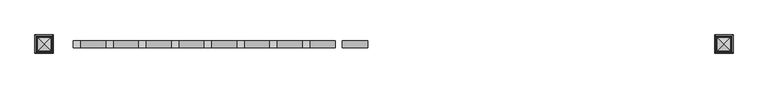
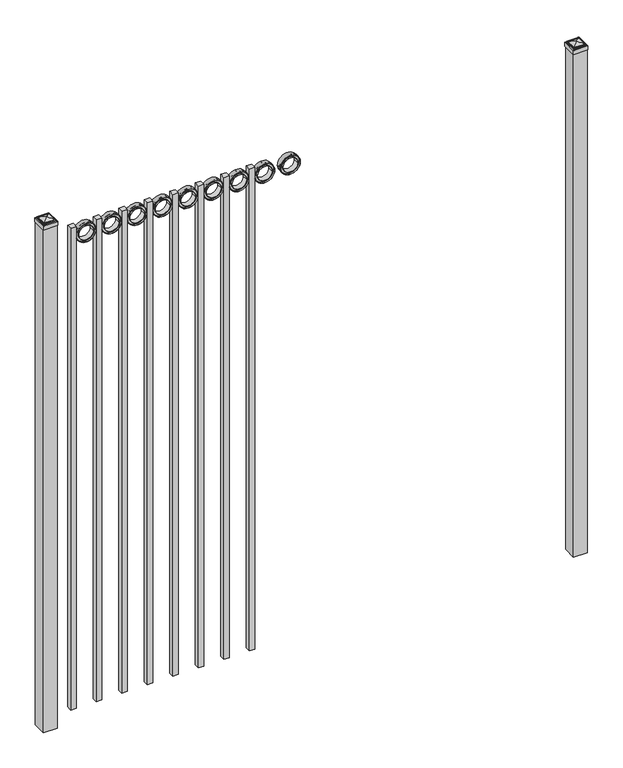
"""IFC4 building model written with IfcOpenShell, lengths in millimetres: railing geometry."""

from ifc_helpers import new_model, si_unit, point, frame, frame_2d, origin, origin_with_axes, place, context, project, spatial, polyline, circle_curve, ellipse_curve, trimmed, segment, composite_curve, outline, extrude, source, transform, mapped, element, save
from ifc_brep_helpers import plane_surface, cylinder_surface, advanced_brep


def railing_b26ec44c(model_context):
    return source(origin(), model_context, "Body", "SolidModel", [
        extrude(outline(composite_curve([segment(trimmed(circle_curve(frame_2d((2348.2511409, -5077.3911274)), 45.6988591), [point((2348.2511409, -5031.6922684))], [point((2348.2511409, -5123.0899865))], False, "CARTESIAN"), True, "CONTINUOUS"), segment(trimmed(circle_curve(frame_2d((2348.2511409, -5077.3911274)), 45.6988591), [point((2348.2511409, -5123.0899865))], [point((2348.2511409, -5031.6922684))], False, "CARTESIAN"), True, "CONTINUOUS")], self_intersect=False), holes=[composite_curve([segment(trimmed(circle_curve(frame_2d((2348.2511409, -5077.3911274)), 44.101539), [point((2348.2511409, -5033.2895884))], [point((2348.2511409, -5121.4926665))], True, "CARTESIAN"), True, "CONTINUOUS"), segment(trimmed(circle_curve(frame_2d((2348.2511409, -5077.3911274)), 44.101539), [point((2348.2511409, -5121.4926665))], [point((2348.2511409, -5033.2895884))], True, "CARTESIAN"), True, "CONTINUOUS")], self_intersect=False)]), frame((0.0, 7308.219541, 0.0), z_axis=(0.0, 1.0, 0.0), x_axis=(0.0, 0.0, 1.0)), (0.0, 0.0, 1.0), 25.4),
        extrude(outline(composite_curve([segment(trimmed(circle_curve(frame_2d((2348.2511409, -5077.3911274)), 34.6370762), [point((2348.2511409, -5042.7540512))], [point((2348.2511409, -5112.0282037))], False, "CARTESIAN"), True, "CONTINUOUS"), segment(trimmed(circle_curve(frame_2d((2348.2511409, -5077.3911274)), 34.6370762), [point((2348.2511409, -5112.0282037))], [point((2348.2511409, -5042.7540512))], False, "CARTESIAN"), True, "CONTINUOUS")], self_intersect=False), holes=[composite_curve([segment(trimmed(circle_curve(frame_2d((2348.2511409, -5077.3911274)), 33.0443887), [point((2348.2511409, -5044.3467388))], [point((2348.2511409, -5110.4355161))], True, "CARTESIAN"), True, "CONTINUOUS"), segment(trimmed(circle_curve(frame_2d((2348.2511409, -5077.3911274)), 33.0443887), [point((2348.2511409, -5110.4355161))], [point((2348.2511409, -5044.3467388))], True, "CARTESIAN"), True, "CONTINUOUS")], self_intersect=False)]), frame((0.0, 7308.219541, 0.0), z_axis=(0.0, 1.0, 0.0), x_axis=(0.0, 0.0, 1.0)), (0.0, 0.0, 1.0), 25.4),
        extrude(outline(composite_curve([segment(trimmed(circle_curve(frame_2d((2348.2511409, -5077.3911274)), 45.6988591), [point((2348.2511409, -5031.6922684))], [point((2348.2511409, -5123.0899865))], False, "CARTESIAN"), True, "CONTINUOUS"), segment(trimmed(circle_curve(frame_2d((2348.2511409, -5077.3911274)), 45.6988591), [point((2348.2511409, -5123.0899865))], [point((2348.2511409, -5031.6922684))], False, "CARTESIAN"), True, "CONTINUOUS")], self_intersect=False), holes=[composite_curve([segment(trimmed(circle_curve(frame_2d((2348.2511409, -5077.3911274)), 33.0443887), [point((2348.2511409, -5044.3467388))], [point((2348.2511409, -5110.4355161))], True, "CARTESIAN"), True, "CONTINUOUS"), segment(trimmed(circle_curve(frame_2d((2348.2511409, -5077.3911274)), 33.0443887), [point((2348.2511409, -5110.4355161))], [point((2348.2511409, -5044.3467388))], True, "CARTESIAN"), True, "CONTINUOUS")], self_intersect=False)]), frame((0.0, 7314.569541, 0.0), z_axis=(0.0, 1.0, 0.0), x_axis=(0.0, 0.0, 1.0)), (0.0, 0.0, 1.0), 12.7),
        extrude(outline(polyline([(0.0, -2343.15), (0.0, 0.0), (25.4, 0.0), (25.4, -2343.15), (0.0, -2343.15)])), frame((-5240.5649864, 7333.619541, 2393.95), z_axis=(-1.0, 0.0, 1.7709660197216138e-09), x_axis=(0.0, -1.0, 0.0)), (0.0, 0.0, 1.0), 25.4),
        extrude(outline(composite_curve([segment(trimmed(circle_curve(frame_2d((2348.2511409, -5194.8661274)), 45.6988591), [point((2348.2511409, -5149.1672684))], [point((2348.2511409, -5240.5649865))], False, "CARTESIAN"), True, "CONTINUOUS"), segment(trimmed(circle_curve(frame_2d((2348.2511409, -5194.8661274)), 45.6988591), [point((2348.2511409, -5240.5649865))], [point((2348.2511409, -5149.1672684))], False, "CARTESIAN"), True, "CONTINUOUS")], self_intersect=False), holes=[composite_curve([segment(trimmed(circle_curve(frame_2d((2348.2511409, -5194.8661274)), 44.101539), [point((2348.2511409, -5150.7645884))], [point((2348.2511409, -5238.9676665))], True, "CARTESIAN"), True, "CONTINUOUS"), segment(trimmed(circle_curve(frame_2d((2348.2511409, -5194.8661274)), 44.101539), [point((2348.2511409, -5238.9676665))], [point((2348.2511409, -5150.7645884))], True, "CARTESIAN"), True, "CONTINUOUS")], self_intersect=False)]), frame((0.0, 7308.219541, 0.0), z_axis=(0.0, 1.0, 0.0), x_axis=(0.0, 0.0, 1.0)), (0.0, 0.0, 1.0), 25.4),
        extrude(outline(composite_curve([segment(trimmed(circle_curve(frame_2d((2348.2511409, -5194.8661274)), 34.6370762), [point((2348.2511409, -5160.2290512))], [point((2348.2511409, -5229.5032037))], False, "CARTESIAN"), True, "CONTINUOUS"), segment(trimmed(circle_curve(frame_2d((2348.2511409, -5194.8661274)), 34.6370762), [point((2348.2511409, -5229.5032037))], [point((2348.2511409, -5160.2290512))], False, "CARTESIAN"), True, "CONTINUOUS")], self_intersect=False), holes=[composite_curve([segment(trimmed(circle_curve(frame_2d((2348.2511409, -5194.8661274)), 33.0443887), [point((2348.2511409, -5161.8217388))], [point((2348.2511409, -5227.9105161))], True, "CARTESIAN"), True, "CONTINUOUS"), segment(trimmed(circle_curve(frame_2d((2348.2511409, -5194.8661274)), 33.0443887), [point((2348.2511409, -5227.9105161))], [point((2348.2511409, -5161.8217388))], True, "CARTESIAN"), True, "CONTINUOUS")], self_intersect=False)]), frame((0.0, 7308.219541, 0.0), z_axis=(0.0, 1.0, 0.0), x_axis=(0.0, 0.0, 1.0)), (0.0, 0.0, 1.0), 25.4),
        extrude(outline(composite_curve([segment(trimmed(circle_curve(frame_2d((2348.2511409, -5194.8661274)), 45.6988591), [point((2348.2511409, -5149.1672684))], [point((2348.2511409, -5240.5649865))], False, "CARTESIAN"), True, "CONTINUOUS"), segment(trimmed(circle_curve(frame_2d((2348.2511409, -5194.8661274)), 45.6988591), [point((2348.2511409, -5240.5649865))], [point((2348.2511409, -5149.1672684))], False, "CARTESIAN"), True, "CONTINUOUS")], self_intersect=False), holes=[composite_curve([segment(trimmed(circle_curve(frame_2d((2348.2511409, -5194.8661274)), 33.0443887), [point((2348.2511409, -5161.8217388))], [point((2348.2511409, -5227.9105161))], True, "CARTESIAN"), True, "CONTINUOUS"), segment(trimmed(circle_curve(frame_2d((2348.2511409, -5194.8661274)), 33.0443887), [point((2348.2511409, -5227.9105161))], [point((2348.2511409, -5161.8217388))], True, "CARTESIAN"), True, "CONTINUOUS")], self_intersect=False)]), frame((0.0, 7314.569541, 0.0), z_axis=(0.0, 1.0, 0.0), x_axis=(0.0, 0.0, 1.0)), (0.0, 0.0, 1.0), 12.7),
        extrude(outline(polyline([(0.0, -2343.15), (0.0, 0.0), (25.4, 0.0), (25.4, -2343.15), (0.0, -2343.15)])), frame((-5358.0399864, 7333.619541, 2393.95), z_axis=(-1.0, 0.0, 1.7709660197216138e-09), x_axis=(0.0, -1.0, 0.0)), (0.0, 0.0, 1.0), 25.4),
        extrude(outline(composite_curve([segment(trimmed(circle_curve(frame_2d((2348.2511409, -5312.3411274)), 45.6988591), [point((2348.2511409, -5266.6422684))], [point((2348.2511409, -5358.0399865))], False, "CARTESIAN"), True, "CONTINUOUS"), segment(trimmed(circle_curve(frame_2d((2348.2511409, -5312.3411274)), 45.6988591), [point((2348.2511409, -5358.0399865))], [point((2348.2511409, -5266.6422684))], False, "CARTESIAN"), True, "CONTINUOUS")], self_intersect=False), holes=[composite_curve([segment(trimmed(circle_curve(frame_2d((2348.2511409, -5312.3411274)), 44.101539), [point((2348.2511409, -5268.2395884))], [point((2348.2511409, -5356.4426665))], True, "CARTESIAN"), True, "CONTINUOUS"), segment(trimmed(circle_curve(frame_2d((2348.2511409, -5312.3411274)), 44.101539), [point((2348.2511409, -5356.4426665))], [point((2348.2511409, -5268.2395884))], True, "CARTESIAN"), True, "CONTINUOUS")], self_intersect=False)]), frame((0.0, 7308.219541, 0.0), z_axis=(0.0, 1.0, 0.0), x_axis=(0.0, 0.0, 1.0)), (0.0, 0.0, 1.0), 25.4),
        extrude(outline(composite_curve([segment(trimmed(circle_curve(frame_2d((2348.2511409, -5312.3411274)), 34.6370762), [point((2348.2511409, -5277.7040512))], [point((2348.2511409, -5346.9782037))], False, "CARTESIAN"), True, "CONTINUOUS"), segment(trimmed(circle_curve(frame_2d((2348.2511409, -5312.3411274)), 34.6370762), [point((2348.2511409, -5346.9782037))], [point((2348.2511409, -5277.7040512))], False, "CARTESIAN"), True, "CONTINUOUS")], self_intersect=False), holes=[composite_curve([segment(trimmed(circle_curve(frame_2d((2348.2511409, -5312.3411274)), 33.0443887), [point((2348.2511409, -5279.2967388))], [point((2348.2511409, -5345.3855161))], True, "CARTESIAN"), True, "CONTINUOUS"), segment(trimmed(circle_curve(frame_2d((2348.2511409, -5312.3411274)), 33.0443887), [point((2348.2511409, -5345.3855161))], [point((2348.2511409, -5279.2967388))], True, "CARTESIAN"), True, "CONTINUOUS")], self_intersect=False)]), frame((0.0, 7308.219541, 0.0), z_axis=(0.0, 1.0, 0.0), x_axis=(0.0, 0.0, 1.0)), (0.0, 0.0, 1.0), 25.4),
        extrude(outline(composite_curve([segment(trimmed(circle_curve(frame_2d((2348.2511409, -5312.3411274)), 45.6988591), [point((2348.2511409, -5266.6422684))], [point((2348.2511409, -5358.0399865))], False, "CARTESIAN"), True, "CONTINUOUS"), segment(trimmed(circle_curve(frame_2d((2348.2511409, -5312.3411274)), 45.6988591), [point((2348.2511409, -5358.0399865))], [point((2348.2511409, -5266.6422684))], False, "CARTESIAN"), True, "CONTINUOUS")], self_intersect=False), holes=[composite_curve([segment(trimmed(circle_curve(frame_2d((2348.2511409, -5312.3411274)), 33.0443887), [point((2348.2511409, -5279.2967388))], [point((2348.2511409, -5345.3855161))], True, "CARTESIAN"), True, "CONTINUOUS"), segment(trimmed(circle_curve(frame_2d((2348.2511409, -5312.3411274)), 33.0443887), [point((2348.2511409, -5345.3855161))], [point((2348.2511409, -5279.2967388))], True, "CARTESIAN"), True, "CONTINUOUS")], self_intersect=False)]), frame((0.0, 7314.569541, 0.0), z_axis=(0.0, 1.0, 0.0), x_axis=(0.0, 0.0, 1.0)), (0.0, 0.0, 1.0), 12.7),
        extrude(outline(polyline([(0.0, -2343.15), (0.0, 0.0), (25.4, 0.0), (25.4, -2343.15), (0.0, -2343.15)])), frame((-5475.5149864, 7333.619541, 2393.95), z_axis=(-1.0, 0.0, 1.7709660197216138e-09), x_axis=(0.0, -1.0, 0.0)), (0.0, 0.0, 1.0), 25.4),
        extrude(outline(composite_curve([segment(trimmed(circle_curve(frame_2d((2348.2511409, -5429.8161274)), 45.6988591), [point((2348.2511409, -5384.1172684))], [point((2348.2511409, -5475.5149865))], False, "CARTESIAN"), True, "CONTINUOUS"), segment(trimmed(circle_curve(frame_2d((2348.2511409, -5429.8161274)), 45.6988591), [point((2348.2511409, -5475.5149865))], [point((2348.2511409, -5384.1172684))], False, "CARTESIAN"), True, "CONTINUOUS")], self_intersect=False), holes=[composite_curve([segment(trimmed(circle_curve(frame_2d((2348.2511409, -5429.8161274)), 44.101539), [point((2348.2511409, -5385.7145884))], [point((2348.2511409, -5473.9176665))], True, "CARTESIAN"), True, "CONTINUOUS"), segment(trimmed(circle_curve(frame_2d((2348.2511409, -5429.8161274)), 44.101539), [point((2348.2511409, -5473.9176665))], [point((2348.2511409, -5385.7145884))], True, "CARTESIAN"), True, "CONTINUOUS")], self_intersect=False)]), frame((0.0, 7308.219541, 0.0), z_axis=(0.0, 1.0, 0.0), x_axis=(0.0, 0.0, 1.0)), (0.0, 0.0, 1.0), 25.4),
        extrude(outline(composite_curve([segment(trimmed(circle_curve(frame_2d((2348.2511409, -5429.8161274)), 34.6370762), [point((2348.2511409, -5395.1790512))], [point((2348.2511409, -5464.4532037))], False, "CARTESIAN"), True, "CONTINUOUS"), segment(trimmed(circle_curve(frame_2d((2348.2511409, -5429.8161274)), 34.6370762), [point((2348.2511409, -5464.4532037))], [point((2348.2511409, -5395.1790512))], False, "CARTESIAN"), True, "CONTINUOUS")], self_intersect=False), holes=[composite_curve([segment(trimmed(circle_curve(frame_2d((2348.2511409, -5429.8161274)), 33.0443887), [point((2348.2511409, -5396.7717388))], [point((2348.2511409, -5462.8605161))], True, "CARTESIAN"), True, "CONTINUOUS"), segment(trimmed(circle_curve(frame_2d((2348.2511409, -5429.8161274)), 33.0443887), [point((2348.2511409, -5462.8605161))], [point((2348.2511409, -5396.7717388))], True, "CARTESIAN"), True, "CONTINUOUS")], self_intersect=False)]), frame((0.0, 7308.219541, 0.0), z_axis=(0.0, 1.0, 0.0), x_axis=(0.0, 0.0, 1.0)), (0.0, 0.0, 1.0), 25.4),
        extrude(outline(composite_curve([segment(trimmed(circle_curve(frame_2d((2348.2511409, -5429.8161274)), 45.6988591), [point((2348.2511409, -5384.1172684))], [point((2348.2511409, -5475.5149865))], False, "CARTESIAN"), True, "CONTINUOUS"), segment(trimmed(circle_curve(frame_2d((2348.2511409, -5429.8161274)), 45.6988591), [point((2348.2511409, -5475.5149865))], [point((2348.2511409, -5384.1172684))], False, "CARTESIAN"), True, "CONTINUOUS")], self_intersect=False), holes=[composite_curve([segment(trimmed(circle_curve(frame_2d((2348.2511409, -5429.8161274)), 33.0443887), [point((2348.2511409, -5396.7717388))], [point((2348.2511409, -5462.8605161))], True, "CARTESIAN"), True, "CONTINUOUS"), segment(trimmed(circle_curve(frame_2d((2348.2511409, -5429.8161274)), 33.0443887), [point((2348.2511409, -5462.8605161))], [point((2348.2511409, -5396.7717388))], True, "CARTESIAN"), True, "CONTINUOUS")], self_intersect=False)]), frame((0.0, 7314.569541, 0.0), z_axis=(0.0, 1.0, 0.0), x_axis=(0.0, 0.0, 1.0)), (0.0, 0.0, 1.0), 12.7),
        extrude(outline(polyline([(0.0, -2343.15), (0.0, 0.0), (25.4, 0.0), (25.4, -2343.15), (0.0, -2343.15)])), frame((-5592.9899864, 7333.619541, 2393.95), z_axis=(-1.0, 0.0, 1.7709660197216138e-09), x_axis=(0.0, -1.0, 0.0)), (0.0, 0.0, 1.0), 25.4),
        extrude(outline(composite_curve([segment(trimmed(circle_curve(frame_2d((2348.2511409, -5547.2911274)), 45.6988591), [point((2348.2511409, -5501.5922684))], [point((2348.2511409, -5592.9899865))], False, "CARTESIAN"), True, "CONTINUOUS"), segment(trimmed(circle_curve(frame_2d((2348.2511409, -5547.2911274)), 45.6988591), [point((2348.2511409, -5592.9899865))], [point((2348.2511409, -5501.5922684))], False, "CARTESIAN"), True, "CONTINUOUS")], self_intersect=False), holes=[composite_curve([segment(trimmed(circle_curve(frame_2d((2348.2511409, -5547.2911274)), 44.101539), [point((2348.2511409, -5503.1895884))], [point((2348.2511409, -5591.3926665))], True, "CARTESIAN"), True, "CONTINUOUS"), segment(trimmed(circle_curve(frame_2d((2348.2511409, -5547.2911274)), 44.101539), [point((2348.2511409, -5591.3926665))], [point((2348.2511409, -5503.1895884))], True, "CARTESIAN"), True, "CONTINUOUS")], self_intersect=False)]), frame((0.0, 7308.219541, 0.0), z_axis=(0.0, 1.0, 0.0), x_axis=(0.0, 0.0, 1.0)), (0.0, 0.0, 1.0), 25.4),
        extrude(outline(composite_curve([segment(trimmed(circle_curve(frame_2d((2348.2511409, -5547.2911274)), 34.6370762), [point((2348.2511409, -5512.6540512))], [point((2348.2511409, -5581.9282037))], False, "CARTESIAN"), True, "CONTINUOUS"), segment(trimmed(circle_curve(frame_2d((2348.2511409, -5547.2911274)), 34.6370762), [point((2348.2511409, -5581.9282037))], [point((2348.2511409, -5512.6540512))], False, "CARTESIAN"), True, "CONTINUOUS")], self_intersect=False), holes=[composite_curve([segment(trimmed(circle_curve(frame_2d((2348.2511409, -5547.2911274)), 33.0443887), [point((2348.2511409, -5514.2467388))], [point((2348.2511409, -5580.3355161))], True, "CARTESIAN"), True, "CONTINUOUS"), segment(trimmed(circle_curve(frame_2d((2348.2511409, -5547.2911274)), 33.0443887), [point((2348.2511409, -5580.3355161))], [point((2348.2511409, -5514.2467388))], True, "CARTESIAN"), True, "CONTINUOUS")], self_intersect=False)]), frame((0.0, 7308.219541, 0.0), z_axis=(0.0, 1.0, 0.0), x_axis=(0.0, 0.0, 1.0)), (0.0, 0.0, 1.0), 25.4),
        extrude(outline(composite_curve([segment(trimmed(circle_curve(frame_2d((2348.2511409, -5547.2911274)), 45.6988591), [point((2348.2511409, -5501.5922684))], [point((2348.2511409, -5592.9899865))], False, "CARTESIAN"), True, "CONTINUOUS"), segment(trimmed(circle_curve(frame_2d((2348.2511409, -5547.2911274)), 45.6988591), [point((2348.2511409, -5592.9899865))], [point((2348.2511409, -5501.5922684))], False, "CARTESIAN"), True, "CONTINUOUS")], self_intersect=False), holes=[composite_curve([segment(trimmed(circle_curve(frame_2d((2348.2511409, -5547.2911274)), 33.0443887), [point((2348.2511409, -5514.2467388))], [point((2348.2511409, -5580.3355161))], True, "CARTESIAN"), True, "CONTINUOUS"), segment(trimmed(circle_curve(frame_2d((2348.2511409, -5547.2911274)), 33.0443887), [point((2348.2511409, -5580.3355161))], [point((2348.2511409, -5514.2467388))], True, "CARTESIAN"), True, "CONTINUOUS")], self_intersect=False)]), frame((0.0, 7314.569541, 0.0), z_axis=(0.0, 1.0, 0.0), x_axis=(0.0, 0.0, 1.0)), (0.0, 0.0, 1.0), 12.7),
        extrude(outline(polyline([(0.0, -2343.15), (0.0, 0.0), (25.4, 0.0), (25.4, -2343.15), (0.0, -2343.15)])), frame((-5710.4649864, 7333.619541, 2393.95), z_axis=(-1.0, 0.0, 1.7709660197216138e-09), x_axis=(0.0, -1.0, 0.0)), (0.0, 0.0, 1.0), 25.4),
        extrude(outline(composite_curve([segment(trimmed(circle_curve(frame_2d((2348.2511409, -5664.7661274)), 45.6988591), [point((2348.2511409, -5619.0672684))], [point((2348.2511409, -5710.4649865))], False, "CARTESIAN"), True, "CONTINUOUS"), segment(trimmed(circle_curve(frame_2d((2348.2511409, -5664.7661274)), 45.6988591), [point((2348.2511409, -5710.4649865))], [point((2348.2511409, -5619.0672684))], False, "CARTESIAN"), True, "CONTINUOUS")], self_intersect=False), holes=[composite_curve([segment(trimmed(circle_curve(frame_2d((2348.2511409, -5664.7661274)), 44.101539), [point((2348.2511409, -5620.6645884))], [point((2348.2511409, -5708.8676665))], True, "CARTESIAN"), True, "CONTINUOUS"), segment(trimmed(circle_curve(frame_2d((2348.2511409, -5664.7661274)), 44.101539), [point((2348.2511409, -5708.8676665))], [point((2348.2511409, -5620.6645884))], True, "CARTESIAN"), True, "CONTINUOUS")], self_intersect=False)]), frame((0.0, 7308.219541, 0.0), z_axis=(0.0, 1.0, 0.0), x_axis=(0.0, 0.0, 1.0)), (0.0, 0.0, 1.0), 25.4),
        extrude(outline(composite_curve([segment(trimmed(circle_curve(frame_2d((2348.2511409, -5664.7661274)), 34.6370762), [point((2348.2511409, -5630.1290512))], [point((2348.2511409, -5699.4032037))], False, "CARTESIAN"), True, "CONTINUOUS"), segment(trimmed(circle_curve(frame_2d((2348.2511409, -5664.7661274)), 34.6370762), [point((2348.2511409, -5699.4032037))], [point((2348.2511409, -5630.1290512))], False, "CARTESIAN"), True, "CONTINUOUS")], self_intersect=False), holes=[composite_curve([segment(trimmed(circle_curve(frame_2d((2348.2511409, -5664.7661274)), 33.0443887), [point((2348.2511409, -5631.7217388))], [point((2348.2511409, -5697.8105161))], True, "CARTESIAN"), True, "CONTINUOUS"), segment(trimmed(circle_curve(frame_2d((2348.2511409, -5664.7661274)), 33.0443887), [point((2348.2511409, -5697.8105161))], [point((2348.2511409, -5631.7217388))], True, "CARTESIAN"), True, "CONTINUOUS")], self_intersect=False)]), frame((0.0, 7308.219541, 0.0), z_axis=(0.0, 1.0, 0.0), x_axis=(0.0, 0.0, 1.0)), (0.0, 0.0, 1.0), 25.4),
        extrude(outline(composite_curve([segment(trimmed(circle_curve(frame_2d((2348.2511409, -5664.7661274)), 45.6988591), [point((2348.2511409, -5619.0672684))], [point((2348.2511409, -5710.4649865))], False, "CARTESIAN"), True, "CONTINUOUS"), segment(trimmed(circle_curve(frame_2d((2348.2511409, -5664.7661274)), 45.6988591), [point((2348.2511409, -5710.4649865))], [point((2348.2511409, -5619.0672684))], False, "CARTESIAN"), True, "CONTINUOUS")], self_intersect=False), holes=[composite_curve([segment(trimmed(circle_curve(frame_2d((2348.2511409, -5664.7661274)), 33.0443887), [point((2348.2511409, -5631.7217388))], [point((2348.2511409, -5697.8105161))], True, "CARTESIAN"), True, "CONTINUOUS"), segment(trimmed(circle_curve(frame_2d((2348.2511409, -5664.7661274)), 33.0443887), [point((2348.2511409, -5697.8105161))], [point((2348.2511409, -5631.7217388))], True, "CARTESIAN"), True, "CONTINUOUS")], self_intersect=False)]), frame((0.0, 7314.569541, 0.0), z_axis=(0.0, 1.0, 0.0), x_axis=(0.0, 0.0, 1.0)), (0.0, 0.0, 1.0), 12.7),
        extrude(outline(polyline([(0.0, -2343.15), (0.0, 0.0), (25.4, 0.0), (25.4, -2343.15), (0.0, -2343.15)])), frame((-5827.9399864, 7333.619541, 2393.95), z_axis=(-1.0, 0.0, 1.7709660197216138e-09), x_axis=(0.0, -1.0, 0.0)), (0.0, 0.0, 1.0), 25.4),
        extrude(outline(composite_curve([segment(trimmed(circle_curve(frame_2d((2348.2511409, -5782.2411274)), 45.6988591), [point((2348.2511409, -5736.5422684))], [point((2348.2511409, -5827.9399865))], False, "CARTESIAN"), True, "CONTINUOUS"), segment(trimmed(circle_curve(frame_2d((2348.2511409, -5782.2411274)), 45.6988591), [point((2348.2511409, -5827.9399865))], [point((2348.2511409, -5736.5422684))], False, "CARTESIAN"), True, "CONTINUOUS")], self_intersect=False), holes=[composite_curve([segment(trimmed(circle_curve(frame_2d((2348.2511409, -5782.2411274)), 44.101539), [point((2348.2511409, -5738.1395884))], [point((2348.2511409, -5826.3426665))], True, "CARTESIAN"), True, "CONTINUOUS"), segment(trimmed(circle_curve(frame_2d((2348.2511409, -5782.2411274)), 44.101539), [point((2348.2511409, -5826.3426665))], [point((2348.2511409, -5738.1395884))], True, "CARTESIAN"), True, "CONTINUOUS")], self_intersect=False)]), frame((0.0, 7308.219541, 0.0), z_axis=(0.0, 1.0, 0.0), x_axis=(0.0, 0.0, 1.0)), (0.0, 0.0, 1.0), 25.4),
        extrude(outline(composite_curve([segment(trimmed(circle_curve(frame_2d((2348.2511409, -5782.2411274)), 34.6370762), [point((2348.2511409, -5747.6040512))], [point((2348.2511409, -5816.8782037))], False, "CARTESIAN"), True, "CONTINUOUS"), segment(trimmed(circle_curve(frame_2d((2348.2511409, -5782.2411274)), 34.6370762), [point((2348.2511409, -5816.8782037))], [point((2348.2511409, -5747.6040512))], False, "CARTESIAN"), True, "CONTINUOUS")], self_intersect=False), holes=[composite_curve([segment(trimmed(circle_curve(frame_2d((2348.2511409, -5782.2411274)), 33.0443887), [point((2348.2511409, -5749.1967388))], [point((2348.2511409, -5815.2855161))], True, "CARTESIAN"), True, "CONTINUOUS"), segment(trimmed(circle_curve(frame_2d((2348.2511409, -5782.2411274)), 33.0443887), [point((2348.2511409, -5815.2855161))], [point((2348.2511409, -5749.1967388))], True, "CARTESIAN"), True, "CONTINUOUS")], self_intersect=False)]), frame((0.0, 7308.219541, 0.0), z_axis=(0.0, 1.0, 0.0), x_axis=(0.0, 0.0, 1.0)), (0.0, 0.0, 1.0), 25.4),
        extrude(outline(composite_curve([segment(trimmed(circle_curve(frame_2d((2348.2511409, -5782.2411274)), 45.6988591), [point((2348.2511409, -5736.5422684))], [point((2348.2511409, -5827.9399865))], False, "CARTESIAN"), True, "CONTINUOUS"), segment(trimmed(circle_curve(frame_2d((2348.2511409, -5782.2411274)), 45.6988591), [point((2348.2511409, -5827.9399865))], [point((2348.2511409, -5736.5422684))], False, "CARTESIAN"), True, "CONTINUOUS")], self_intersect=False), holes=[composite_curve([segment(trimmed(circle_curve(frame_2d((2348.2511409, -5782.2411274)), 33.0443887), [point((2348.2511409, -5749.1967388))], [point((2348.2511409, -5815.2855161))], True, "CARTESIAN"), True, "CONTINUOUS"), segment(trimmed(circle_curve(frame_2d((2348.2511409, -5782.2411274)), 33.0443887), [point((2348.2511409, -5815.2855161))], [point((2348.2511409, -5749.1967388))], True, "CARTESIAN"), True, "CONTINUOUS")], self_intersect=False)]), frame((0.0, 7314.569541, 0.0), z_axis=(0.0, 1.0, 0.0), x_axis=(0.0, 0.0, 1.0)), (0.0, 0.0, 1.0), 12.7),
        extrude(outline(polyline([(0.0, -2343.15), (0.0, 0.0), (25.4, 0.0), (25.4, -2343.15), (0.0, -2343.15)])), frame((-5945.4149864, 7333.619541, 2393.95), z_axis=(-1.0, 0.0, 1.7709660197216138e-09), x_axis=(0.0, -1.0, 0.0)), (0.0, 0.0, 1.0), 25.4),
        extrude(outline(composite_curve([segment(trimmed(circle_curve(frame_2d((2348.2511409, -5899.7161274)), 45.6988591), [point((2348.2511409, -5854.0172684))], [point((2348.2511409, -5945.4149865))], False, "CARTESIAN"), True, "CONTINUOUS"), segment(trimmed(circle_curve(frame_2d((2348.2511409, -5899.7161274)), 45.6988591), [point((2348.2511409, -5945.4149865))], [point((2348.2511409, -5854.0172684))], False, "CARTESIAN"), True, "CONTINUOUS")], self_intersect=False), holes=[composite_curve([segment(trimmed(circle_curve(frame_2d((2348.2511409, -5899.7161274)), 44.101539), [point((2348.2511409, -5855.6145884))], [point((2348.2511409, -5943.8176665))], True, "CARTESIAN"), True, "CONTINUOUS"), segment(trimmed(circle_curve(frame_2d((2348.2511409, -5899.7161274)), 44.101539), [point((2348.2511409, -5943.8176665))], [point((2348.2511409, -5855.6145884))], True, "CARTESIAN"), True, "CONTINUOUS")], self_intersect=False)]), frame((0.0, 7308.219541, 0.0), z_axis=(0.0, 1.0, 0.0), x_axis=(0.0, 0.0, 1.0)), (0.0, 0.0, 1.0), 25.4),
        extrude(outline(composite_curve([segment(trimmed(circle_curve(frame_2d((2348.2511409, -5899.7161274)), 34.6370762), [point((2348.2511409, -5865.0790512))], [point((2348.2511409, -5934.3532037))], False, "CARTESIAN"), True, "CONTINUOUS"), segment(trimmed(circle_curve(frame_2d((2348.2511409, -5899.7161274)), 34.6370762), [point((2348.2511409, -5934.3532037))], [point((2348.2511409, -5865.0790512))], False, "CARTESIAN"), True, "CONTINUOUS")], self_intersect=False), holes=[composite_curve([segment(trimmed(circle_curve(frame_2d((2348.2511409, -5899.7161274)), 33.0443887), [point((2348.2511409, -5866.6717388))], [point((2348.2511409, -5932.7605161))], True, "CARTESIAN"), True, "CONTINUOUS"), segment(trimmed(circle_curve(frame_2d((2348.2511409, -5899.7161274)), 33.0443887), [point((2348.2511409, -5932.7605161))], [point((2348.2511409, -5866.6717388))], True, "CARTESIAN"), True, "CONTINUOUS")], self_intersect=False)]), frame((0.0, 7308.219541, 0.0), z_axis=(0.0, 1.0, 0.0), x_axis=(0.0, 0.0, 1.0)), (0.0, 0.0, 1.0), 25.4),
        extrude(outline(composite_curve([segment(trimmed(circle_curve(frame_2d((2348.2511409, -5899.7161274)), 45.6988591), [point((2348.2511409, -5854.0172684))], [point((2348.2511409, -5945.4149865))], False, "CARTESIAN"), True, "CONTINUOUS"), segment(trimmed(circle_curve(frame_2d((2348.2511409, -5899.7161274)), 45.6988591), [point((2348.2511409, -5945.4149865))], [point((2348.2511409, -5854.0172684))], False, "CARTESIAN"), True, "CONTINUOUS")], self_intersect=False), holes=[composite_curve([segment(trimmed(circle_curve(frame_2d((2348.2511409, -5899.7161274)), 33.0443887), [point((2348.2511409, -5866.6717388))], [point((2348.2511409, -5932.7605161))], True, "CARTESIAN"), True, "CONTINUOUS"), segment(trimmed(circle_curve(frame_2d((2348.2511409, -5899.7161274)), 33.0443887), [point((2348.2511409, -5932.7605161))], [point((2348.2511409, -5866.6717388))], True, "CARTESIAN"), True, "CONTINUOUS")], self_intersect=False)]), frame((0.0, 7314.569541, 0.0), z_axis=(0.0, 1.0, 0.0), x_axis=(0.0, 0.0, 1.0)), (0.0, 0.0, 1.0), 12.7),
        extrude(outline(polyline([(0.0, -2343.15), (0.0, 0.0), (25.4, 0.0), (25.4, -2343.15), (0.0, -2343.15)])), frame((-6062.8899864, 7333.619541, 2393.95), z_axis=(-1.0, 0.0, 1.7709660197216138e-09), x_axis=(0.0, -1.0, 0.0)), (0.0, 0.0, 1.0), 25.4),
        extrude(outline(composite_curve([segment(trimmed(circle_curve(frame_2d((2348.2511409, -6017.1911274)), 45.6988591), [point((2348.2511409, -5971.4922684))], [point((2348.2511409, -6062.8899865))], False, "CARTESIAN"), True, "CONTINUOUS"), segment(trimmed(circle_curve(frame_2d((2348.2511409, -6017.1911274)), 45.6988591), [point((2348.2511409, -6062.8899865))], [point((2348.2511409, -5971.4922684))], False, "CARTESIAN"), True, "CONTINUOUS")], self_intersect=False), holes=[composite_curve([segment(trimmed(circle_curve(frame_2d((2348.2511409, -6017.1911274)), 44.101539), [point((2348.2511409, -5973.0895884))], [point((2348.2511409, -6061.2926665))], True, "CARTESIAN"), True, "CONTINUOUS"), segment(trimmed(circle_curve(frame_2d((2348.2511409, -6017.1911274)), 44.101539), [point((2348.2511409, -6061.2926665))], [point((2348.2511409, -5973.0895884))], True, "CARTESIAN"), True, "CONTINUOUS")], self_intersect=False)]), frame((0.0, 7308.219541, 0.0), z_axis=(0.0, 1.0, 0.0), x_axis=(0.0, 0.0, 1.0)), (0.0, 0.0, 1.0), 25.4),
        extrude(outline(composite_curve([segment(trimmed(circle_curve(frame_2d((2348.2511409, -6017.1911274)), 34.6370762), [point((2348.2511409, -5982.5540512))], [point((2348.2511409, -6051.8282037))], False, "CARTESIAN"), True, "CONTINUOUS"), segment(trimmed(circle_curve(frame_2d((2348.2511409, -6017.1911274)), 34.6370762), [point((2348.2511409, -6051.8282037))], [point((2348.2511409, -5982.5540512))], False, "CARTESIAN"), True, "CONTINUOUS")], self_intersect=False), holes=[composite_curve([segment(trimmed(circle_curve(frame_2d((2348.2511409, -6017.1911274)), 33.0443887), [point((2348.2511409, -5984.1467388))], [point((2348.2511409, -6050.2355161))], True, "CARTESIAN"), True, "CONTINUOUS"), segment(trimmed(circle_curve(frame_2d((2348.2511409, -6017.1911274)), 33.0443887), [point((2348.2511409, -6050.2355161))], [point((2348.2511409, -5984.1467388))], True, "CARTESIAN"), True, "CONTINUOUS")], self_intersect=False)]), frame((0.0, 7308.219541, 0.0), z_axis=(0.0, 1.0, 0.0), x_axis=(0.0, 0.0, 1.0)), (0.0, 0.0, 1.0), 25.4),
        extrude(outline(composite_curve([segment(trimmed(circle_curve(frame_2d((2348.2511409, -6017.1911274)), 45.6988591), [point((2348.2511409, -5971.4922684))], [point((2348.2511409, -6062.8899865))], False, "CARTESIAN"), True, "CONTINUOUS"), segment(trimmed(circle_curve(frame_2d((2348.2511409, -6017.1911274)), 45.6988591), [point((2348.2511409, -6062.8899865))], [point((2348.2511409, -5971.4922684))], False, "CARTESIAN"), True, "CONTINUOUS")], self_intersect=False), holes=[composite_curve([segment(trimmed(circle_curve(frame_2d((2348.2511409, -6017.1911274)), 33.0443887), [point((2348.2511409, -5984.1467388))], [point((2348.2511409, -6050.2355161))], True, "CARTESIAN"), True, "CONTINUOUS"), segment(trimmed(circle_curve(frame_2d((2348.2511409, -6017.1911274)), 33.0443887), [point((2348.2511409, -6050.2355161))], [point((2348.2511409, -5984.1467388))], True, "CARTESIAN"), True, "CONTINUOUS")], self_intersect=False)]), frame((0.0, 7314.569541, 0.0), z_axis=(0.0, 1.0, 0.0), x_axis=(0.0, 0.0, 1.0)), (0.0, 0.0, 1.0), 12.7),
        extrude(outline(polyline([(-3722.9149936, 7352.669541), (-3722.9149936, 7289.169541), (-3786.4149936, 7289.169541), (-3786.4149936, 7352.669541), (-3722.9149936, 7352.669541)])), origin_with_axes(), (0.0, 0.0, 1.0), 2446.3375),
        advanced_brep(
        [(-3788.0024936, 7354.257041, 2464.59375), (-3788.0024936, 7354.257041, 2446.3375), (-3788.0024936, 7287.582041, 2446.3375), (-3788.0024936, 7287.582041, 2464.59375), (-3785.6212436, 7351.875791, 2466.975), (-3785.6212436, 7289.963291, 2466.975), (-3783.2399936, 7349.494541, 2469.35625), (-3783.2399936, 7349.494541, 2466.975), (-3783.2399936, 7292.344541, 2466.975), (-3783.2399936, 7292.344541, 2469.35625), (-3780.8587436, 7347.113291, 2471.7375), (-3780.8587436, 7294.725791, 2471.7375), (-3754.6649936, 7320.919541, 2478.0875), (-3778.4774936, 7344.732041, 2471.7375), (-3778.4774936, 7297.107041, 2471.7375), (-3721.3274936, 7287.582041, 2446.3375), (-3721.3274936, 7287.582041, 2464.59375), (-3723.7087436, 7289.963291, 2466.975), (-3726.0899936, 7292.344541, 2466.975), (-3726.0899936, 7292.344541, 2469.35625), (-3728.4712436, 7294.725791, 2471.7375), (-3730.8524936, 7297.107041, 2471.7375), (-3721.3274936, 7354.257041, 2446.3375), (-3721.3274936, 7354.257041, 2464.59375), (-3723.7087436, 7351.875791, 2466.975), (-3726.0899936, 7349.494541, 2466.975), (-3726.0899936, 7349.494541, 2469.35625), (-3728.4712436, 7347.113291, 2471.7375), (-3730.8524936, 7344.732041, 2471.7375)],
        [
            (0, 1),
            (1, 2),
            (2, 3),
            (3, 0),
            (4, 0, ellipse_curve(frame((-3785.6212436, 7351.875791, 2464.59375), z_axis=(-0.70710678118655, -0.7071067811865449, 0.0), x_axis=(-0.7071067811865448, 0.7071067811865501, 0.0)), 3.367596, 2.38125)),
            (3, 5, ellipse_curve(frame((-3785.6212436, 7289.963291, 2464.59375), z_axis=(-0.7071067811865449, 0.70710678118655, 0.0), x_axis=(0.7071067811865499, 0.707106781186545, 0.0)), 3.367596, 2.38125)),
            (5, 4),
            (6, 7),
            (7, 8),
            (8, 9),
            (9, 6),
            (10, 6, ellipse_curve(frame((-3780.8587436, 7347.113291, 2469.35625), z_axis=(-0.70710678118655, -0.7071067811865449, 0.0), x_axis=(-0.7071067811865448, 0.7071067811865501, 0.0)), 3.367596, 2.38125)),
            (9, 11, ellipse_curve(frame((-3780.8587436, 7294.725791, 2469.35625), z_axis=(-0.7071067811865449, 0.70710678118655, 0.0), x_axis=(0.7071067811865499, 0.707106781186545, 0.0)), 3.367596, 2.38125)),
            (11, 10),
            (12, 13, ellipse_curve(frame((-3754.6649936, 7320.919541, 2430.2640625), z_axis=(-0.70710678118655, -0.7071067811865449, 0.0), x_axis=(-0.7071067811865448, 0.7071067811865501, 0.0)), 67.6325539, 47.8234375)),
            (13, 14),
            (14, 12, ellipse_curve(frame((-3754.6649936, 7320.919541, 2430.2640625), z_axis=(-0.7071067811865449, 0.70710678118655, 0.0), x_axis=(0.7071067811865499, 0.707106781186545, 0.0)), 67.6325539, 47.8234375)),
            (2, 15),
            (15, 16),
            (16, 3),
            (16, 17, ellipse_curve(frame((-3723.7087436, 7289.963291, 2464.59375), z_axis=(-0.70710678118655, -0.707106781186545, 0.0), x_axis=(-0.707106781186545, 0.70710678118655, 0.0)), 3.367596, 2.38125)),
            (17, 5),
            (8, 18),
            (18, 19),
            (19, 9),
            (19, 20, ellipse_curve(frame((-3728.4712436, 7294.725791, 2469.35625), z_axis=(-0.70710678118655, -0.707106781186545, 0.0), x_axis=(-0.707106781186545, 0.70710678118655, 0.0)), 3.367596, 2.38125)),
            (20, 11),
            (14, 21),
            (21, 12, ellipse_curve(frame((-3754.6649936, 7320.919541, 2430.2640625), z_axis=(-0.70710678118655, -0.707106781186545, 0.0), x_axis=(-0.707106781186545, 0.70710678118655, 0.0)), 67.6325539, 47.8234375)),
            (15, 22),
            (22, 23),
            (23, 16),
            (23, 24, ellipse_curve(frame((-3723.7087436, 7351.875791, 2464.59375), z_axis=(0.707106781186545, -0.7071067811865499, 0.0), x_axis=(-0.7071067811865497, -0.7071067811865452, 0.0)), 3.367596, 2.38125)),
            (24, 17),
            (18, 25),
            (25, 26),
            (26, 19),
            (26, 27, ellipse_curve(frame((-3728.4712436, 7347.113291, 2469.35625), z_axis=(0.707106781186545, -0.7071067811865499, 0.0), x_axis=(-0.7071067811865497, -0.7071067811865452, 0.0)), 3.367596, 2.38125)),
            (27, 20),
            (21, 28),
            (28, 12, ellipse_curve(frame((-3754.6649936, 7320.919541, 2430.2640625), z_axis=(0.707106781186545, -0.7071067811865499, 0.0), x_axis=(-0.7071067811865497, -0.7071067811865452, 0.0)), 67.6325539, 47.8234375)),
            (22, 1),
            (0, 23),
            (4, 24),
            (7, 25),
            (6, 26),
            (10, 27),
            (13, 28),
        ],
        [
            plane_surface(frame((-3788.0024936, 7354.257041, 2446.3375), z_axis=(-1.0, 0.0, 0.0), x_axis=(0.0, -1.0, 0.0))),
            cylinder_surface(frame((-3785.6212436, 7352.669541, 2464.59375), z_axis=(0.0, 1.0, 0.0), x_axis=(1.0, 0.0, 0.0)), 2.38125),
            plane_surface(frame((-3783.2399936, 7349.494541, 2466.975), z_axis=(-1.0, 0.0, 0.0), x_axis=(0.0, -1.0, 0.0))),
            cylinder_surface(frame((-3780.8587436, 7352.669541, 2469.35625), z_axis=(0.0, 1.0, 0.0), x_axis=(1.0, 0.0, 0.0)), 2.38125),
            cylinder_surface(frame((-3754.6649936, 7352.669541, 2430.2640625), z_axis=(0.0, 1.0, 0.0), x_axis=(1.0, 0.0, 0.0)), 47.8234375),
            plane_surface(frame((-3788.0024936, 7287.582041, 2446.3375), z_axis=(0.0, -1.0, 0.0), x_axis=(1.0, 0.0, 0.0))),
            cylinder_surface(frame((-3786.4149936, 7289.963291, 2464.59375), z_axis=(-1.0, 0.0, 0.0), x_axis=(0.0, 1.0, 0.0)), 2.38125),
            plane_surface(frame((-3783.2399936, 7292.344541, 2466.975), z_axis=(0.0, -1.0, 0.0), x_axis=(1.0, 0.0, 0.0))),
            cylinder_surface(frame((-3786.4149936, 7294.725791, 2469.35625), z_axis=(-1.0, 0.0, 0.0), x_axis=(0.0, 1.0, 0.0)), 2.38125),
            cylinder_surface(frame((-3786.4149936, 7320.919541, 2430.2640625), z_axis=(-1.0, 0.0, 0.0), x_axis=(0.0, 1.0, 0.0)), 47.8234375),
            plane_surface(frame((-3721.3274936, 7287.582041, 2446.3375), z_axis=(1.0, 0.0, 0.0), x_axis=(0.0, 1.0, 0.0))),
            cylinder_surface(frame((-3723.7087436, 7289.169541, 2464.59375), z_axis=(0.0, -1.0, 0.0), x_axis=(-1.0, 0.0, 0.0)), 2.38125),
            plane_surface(frame((-3726.0899936, 7292.344541, 2466.975), z_axis=(1.0, 0.0, 0.0), x_axis=(0.0, 1.0, 0.0))),
            cylinder_surface(frame((-3728.4712436, 7289.169541, 2469.35625), z_axis=(0.0, -1.0, 0.0), x_axis=(-1.0, 0.0, 0.0)), 2.38125),
            cylinder_surface(frame((-3754.6649936, 7289.169541, 2430.2640625), z_axis=(0.0, -1.0, 0.0), x_axis=(-1.0, 0.0, 0.0)), 47.8234375),
            plane_surface(frame((-3721.3274936, 7354.257041, 2446.3375), z_axis=(0.0, 1.0, 0.0), x_axis=(-1.0, 0.0, 0.0))),
            cylinder_surface(frame((-3722.9149936, 7351.875791, 2464.59375), z_axis=(1.0, 0.0, 0.0), x_axis=(0.0, -1.0, 0.0)), 2.38125),
            plane_surface(frame((-3723.7087436, 7351.875791, 2466.975), z_axis=(0.0, 0.0, 1.0), x_axis=(-1.0, 0.0, 0.0))),
            plane_surface(frame((-3726.0899936, 7349.494541, 2466.975), z_axis=(0.0, 1.0, 0.0), x_axis=(-1.0, 0.0, 0.0))),
            cylinder_surface(frame((-3722.9149936, 7347.113291, 2469.35625), z_axis=(1.0, 0.0, 0.0), x_axis=(0.0, -1.0, 0.0)), 2.38125),
            plane_surface(frame((-3728.4712436, 7347.113291, 2471.7375), z_axis=(0.0, 0.0, 1.0), x_axis=(-1.0, 0.0, 0.0))),
            cylinder_surface(frame((-3722.9149936, 7320.919541, 2430.2640625), z_axis=(1.0, 0.0, 0.0), x_axis=(0.0, -1.0, 0.0)), 47.8234375),
            plane_surface(frame((-3754.6649936, 7320.919541, 2446.3375), z_axis=(0.0, 0.0, -1.0), x_axis=(-1.0, 0.0, 0.0))),
        ],
        [
            (0, [[1, 2, 3, 4]]),
            (1, [[5, -4, 6, 7]]),
            (2, [[8, 9, 10, 11]]),
            (3, [[12, -11, 13, 14]]),
            (4, [[15, 16, 17]]),
            (5, [[-3, 18, 19, 20]]),
            (6, [[-6, -20, 21, 22]]),
            (7, [[-10, 23, 24, 25]]),
            (8, [[-13, -25, 26, 27]]),
            (9, [[-17, 28, 29]]),
            (10, [[-19, 30, 31, 32]]),
            (11, [[-21, -32, 33, 34]]),
            (12, [[-24, 35, 36, 37]]),
            (13, [[-26, -37, 38, 39]]),
            (14, [[-29, 40, 41]]),
            (15, [[-31, 42, -1, 43]]),
            (16, [[-33, -43, -5, 44]]),
            (17, [[-22, -34, -44, -7], [45, -35, -23, -9]]),
            (18, [[-36, -45, -8, 46]]),
            (19, [[-38, -46, -12, 47]]),
            (20, [[-27, -39, -47, -14], [48, -40, -28, -16]]),
            (21, [[-41, -48, -15]]),
            (22, [[-42, -30, -18, -2]]),
        ],
    ),
        extrude(outline(polyline([(-6161.3149936, 7352.669541), (-6161.3149936, 7289.169541), (-6224.8149936, 7289.169541), (-6224.8149936, 7352.669541), (-6161.3149936, 7352.669541)])), origin_with_axes(), (0.0, 0.0, 1.0), 2446.3375),
        advanced_brep(
        [(-6226.4024936, 7354.257041, 2464.59375), (-6226.4024936, 7354.257041, 2446.3375), (-6226.4024936, 7287.582041, 2446.3375), (-6226.4024936, 7287.582041, 2464.59375), (-6224.0212436, 7351.875791, 2466.975), (-6224.0212436, 7289.963291, 2466.975), (-6221.6399936, 7349.494541, 2469.35625), (-6221.6399936, 7349.494541, 2466.975), (-6221.6399936, 7292.344541, 2466.975), (-6221.6399936, 7292.344541, 2469.35625), (-6219.2587436, 7347.113291, 2471.7375), (-6219.2587436, 7294.725791, 2471.7375), (-6193.0649936, 7320.919541, 2478.0875), (-6216.8774936, 7344.732041, 2471.7375), (-6216.8774936, 7297.107041, 2471.7375), (-6159.7274936, 7287.582041, 2446.3375), (-6159.7274936, 7287.582041, 2464.59375), (-6162.1087436, 7289.963291, 2466.975), (-6164.4899936, 7292.344541, 2466.975), (-6164.4899936, 7292.344541, 2469.35625), (-6166.8712436, 7294.725791, 2471.7375), (-6169.2524936, 7297.107041, 2471.7375), (-6159.7274936, 7354.257041, 2446.3375), (-6159.7274936, 7354.257041, 2464.59375), (-6162.1087436, 7351.875791, 2466.975), (-6164.4899936, 7349.494541, 2466.975), (-6164.4899936, 7349.494541, 2469.35625), (-6166.8712436, 7347.113291, 2471.7375), (-6169.2524936, 7344.732041, 2471.7375)],
        [
            (0, 1),
            (1, 2),
            (2, 3),
            (3, 0),
            (4, 0, ellipse_curve(frame((-6224.0212436, 7351.875791, 2464.59375), z_axis=(-0.70710678118655, -0.7071067811865449, 0.0), x_axis=(-0.7071067811865448, 0.7071067811865501, 0.0)), 3.367596, 2.38125)),
            (3, 5, ellipse_curve(frame((-6224.0212436, 7289.963291, 2464.59375), z_axis=(-0.7071067811865449, 0.70710678118655, 0.0), x_axis=(0.7071067811865499, 0.707106781186545, 0.0)), 3.367596, 2.38125)),
            (5, 4),
            (6, 7),
            (7, 8),
            (8, 9),
            (9, 6),
            (10, 6, ellipse_curve(frame((-6219.2587436, 7347.113291, 2469.35625), z_axis=(-0.70710678118655, -0.7071067811865449, 0.0), x_axis=(-0.7071067811865448, 0.7071067811865501, 0.0)), 3.367596, 2.38125)),
            (9, 11, ellipse_curve(frame((-6219.2587436, 7294.725791, 2469.35625), z_axis=(-0.7071067811865449, 0.70710678118655, 0.0), x_axis=(0.7071067811865499, 0.707106781186545, 0.0)), 3.367596, 2.38125)),
            (11, 10),
            (12, 13, ellipse_curve(frame((-6193.0649936, 7320.919541, 2430.2640625), z_axis=(-0.70710678118655, -0.7071067811865449, 0.0), x_axis=(-0.7071067811865448, 0.7071067811865501, 0.0)), 67.6325539, 47.8234375)),
            (13, 14),
            (14, 12, ellipse_curve(frame((-6193.0649936, 7320.919541, 2430.2640625), z_axis=(-0.7071067811865449, 0.70710678118655, 0.0), x_axis=(0.7071067811865499, 0.707106781186545, 0.0)), 67.6325539, 47.8234375)),
            (2, 15),
            (15, 16),
            (16, 3),
            (16, 17, ellipse_curve(frame((-6162.1087436, 7289.963291, 2464.59375), z_axis=(-0.70710678118655, -0.707106781186545, 0.0), x_axis=(-0.707106781186545, 0.70710678118655, 0.0)), 3.367596, 2.38125)),
            (17, 5),
            (8, 18),
            (18, 19),
            (19, 9),
            (19, 20, ellipse_curve(frame((-6166.8712436, 7294.725791, 2469.35625), z_axis=(-0.70710678118655, -0.707106781186545, 0.0), x_axis=(-0.707106781186545, 0.70710678118655, 0.0)), 3.367596, 2.38125)),
            (20, 11),
            (14, 21),
            (21, 12, ellipse_curve(frame((-6193.0649936, 7320.919541, 2430.2640625), z_axis=(-0.70710678118655, -0.707106781186545, 0.0), x_axis=(-0.707106781186545, 0.70710678118655, 0.0)), 67.6325539, 47.8234375)),
            (15, 22),
            (22, 23),
            (23, 16),
            (23, 24, ellipse_curve(frame((-6162.1087436, 7351.875791, 2464.59375), z_axis=(0.707106781186545, -0.7071067811865499, 0.0), x_axis=(-0.7071067811865497, -0.7071067811865452, 0.0)), 3.367596, 2.38125)),
            (24, 17),
            (18, 25),
            (25, 26),
            (26, 19),
            (26, 27, ellipse_curve(frame((-6166.8712436, 7347.113291, 2469.35625), z_axis=(0.707106781186545, -0.7071067811865499, 0.0), x_axis=(-0.7071067811865497, -0.7071067811865452, 0.0)), 3.367596, 2.38125)),
            (27, 20),
            (21, 28),
            (28, 12, ellipse_curve(frame((-6193.0649936, 7320.919541, 2430.2640625), z_axis=(0.707106781186545, -0.7071067811865499, 0.0), x_axis=(-0.7071067811865497, -0.7071067811865452, 0.0)), 67.6325539, 47.8234375)),
            (22, 1),
            (0, 23),
            (4, 24),
            (7, 25),
            (6, 26),
            (10, 27),
            (13, 28),
        ],
        [
            plane_surface(frame((-6226.4024936, 7354.257041, 2446.3375), z_axis=(-1.0, 0.0, 0.0), x_axis=(0.0, -1.0, 0.0))),
            cylinder_surface(frame((-6224.0212436, 7352.669541, 2464.59375), z_axis=(0.0, 1.0, 0.0), x_axis=(1.0, 0.0, 0.0)), 2.38125),
            plane_surface(frame((-6221.6399936, 7349.494541, 2466.975), z_axis=(-1.0, 0.0, 0.0), x_axis=(0.0, -1.0, 0.0))),
            cylinder_surface(frame((-6219.2587436, 7352.669541, 2469.35625), z_axis=(0.0, 1.0, 0.0), x_axis=(1.0, 0.0, 0.0)), 2.38125),
            cylinder_surface(frame((-6193.0649936, 7352.669541, 2430.2640625), z_axis=(0.0, 1.0, 0.0), x_axis=(1.0, 0.0, 0.0)), 47.8234375),
            plane_surface(frame((-6226.4024936, 7287.582041, 2446.3375), z_axis=(0.0, -1.0, 0.0), x_axis=(1.0, 0.0, 0.0))),
            cylinder_surface(frame((-6224.8149936, 7289.963291, 2464.59375), z_axis=(-1.0, 0.0, 0.0), x_axis=(0.0, 1.0, 0.0)), 2.38125),
            plane_surface(frame((-6221.6399936, 7292.344541, 2466.975), z_axis=(0.0, -1.0, 0.0), x_axis=(1.0, 0.0, 0.0))),
            cylinder_surface(frame((-6224.8149936, 7294.725791, 2469.35625), z_axis=(-1.0, 0.0, 0.0), x_axis=(0.0, 1.0, 0.0)), 2.38125),
            cylinder_surface(frame((-6224.8149936, 7320.919541, 2430.2640625), z_axis=(-1.0, 0.0, 0.0), x_axis=(0.0, 1.0, 0.0)), 47.8234375),
            plane_surface(frame((-6159.7274936, 7287.582041, 2446.3375), z_axis=(1.0, 0.0, 0.0), x_axis=(0.0, 1.0, 0.0))),
            cylinder_surface(frame((-6162.1087436, 7289.169541, 2464.59375), z_axis=(0.0, -1.0, 0.0), x_axis=(-1.0, 0.0, 0.0)), 2.38125),
            plane_surface(frame((-6164.4899936, 7292.344541, 2466.975), z_axis=(1.0, 0.0, 0.0), x_axis=(0.0, 1.0, 0.0))),
            cylinder_surface(frame((-6166.8712436, 7289.169541, 2469.35625), z_axis=(0.0, -1.0, 0.0), x_axis=(-1.0, 0.0, 0.0)), 2.38125),
            cylinder_surface(frame((-6193.0649936, 7289.169541, 2430.2640625), z_axis=(0.0, -1.0, 0.0), x_axis=(-1.0, 0.0, 0.0)), 47.8234375),
            plane_surface(frame((-6159.7274936, 7354.257041, 2446.3375), z_axis=(0.0, 1.0, 0.0), x_axis=(-1.0, 0.0, 0.0))),
            cylinder_surface(frame((-6161.3149936, 7351.875791, 2464.59375), z_axis=(1.0, 0.0, 0.0), x_axis=(0.0, -1.0, 0.0)), 2.38125),
            plane_surface(frame((-6162.1087436, 7351.875791, 2466.975), z_axis=(0.0, 0.0, 1.0), x_axis=(-1.0, 0.0, 0.0))),
            plane_surface(frame((-6164.4899936, 7349.494541, 2466.975), z_axis=(0.0, 1.0, 0.0), x_axis=(-1.0, 0.0, 0.0))),
            cylinder_surface(frame((-6161.3149936, 7347.113291, 2469.35625), z_axis=(1.0, 0.0, 0.0), x_axis=(0.0, -1.0, 0.0)), 2.38125),
            plane_surface(frame((-6166.8712436, 7347.113291, 2471.7375), z_axis=(0.0, 0.0, 1.0), x_axis=(-1.0, 0.0, 0.0))),
            cylinder_surface(frame((-6161.3149936, 7320.919541, 2430.2640625), z_axis=(1.0, 0.0, 0.0), x_axis=(0.0, -1.0, 0.0)), 47.8234375),
            plane_surface(frame((-6193.0649936, 7320.919541, 2446.3375), z_axis=(0.0, 0.0, -1.0), x_axis=(-1.0, 0.0, 0.0))),
        ],
        [
            (0, [[1, 2, 3, 4]]),
            (1, [[5, -4, 6, 7]]),
            (2, [[8, 9, 10, 11]]),
            (3, [[12, -11, 13, 14]]),
            (4, [[15, 16, 17]]),
            (5, [[-3, 18, 19, 20]]),
            (6, [[-6, -20, 21, 22]]),
            (7, [[-10, 23, 24, 25]]),
            (8, [[-13, -25, 26, 27]]),
            (9, [[-17, 28, 29]]),
            (10, [[-19, 30, 31, 32]]),
            (11, [[-21, -32, 33, 34]]),
            (12, [[-24, 35, 36, 37]]),
            (13, [[-26, -37, 38, 39]]),
            (14, [[-29, 40, 41]]),
            (15, [[-31, 42, -1, 43]]),
            (16, [[-33, -43, -5, 44]]),
            (17, [[-22, -34, -44, -7], [45, -35, -23, -9]]),
            (18, [[-36, -45, -8, 46]]),
            (19, [[-38, -46, -12, 47]]),
            (20, [[-27, -39, -47, -14], [48, -40, -28, -16]]),
            (21, [[-41, -48, -15]]),
            (22, [[-42, -30, -18, -2]]),
        ],
    ),
    ])


if __name__ == "__main__":
    model = new_model("IFC4")
    model_context = context("Model", 3, world=origin())
    ifc_project = project(units=[si_unit("LENGTHUNIT", "METRE", prefix="MILLI")], contexts=[model_context])
    site = spatial("IfcSite", under=ifc_project)
    building = spatial("IfcBuilding", under=site)
    placement = place(None, origin())
    railing_shape = railing_b26ec44c(model_context)
    element("IfcRailing", 1, at=placement, inside=building, context=model_context, shape_type="MappedRepresentation", body=[
        mapped(railing_shape, transform((0.0, 0.0, 0.0), x_axis=(1.0, 0.0, 0.0), y_axis=(0.0, 1.0, 0.0), z_axis=(0.0, 0.0, 1.0))),
    ])
    save(model, "model.ifc")
